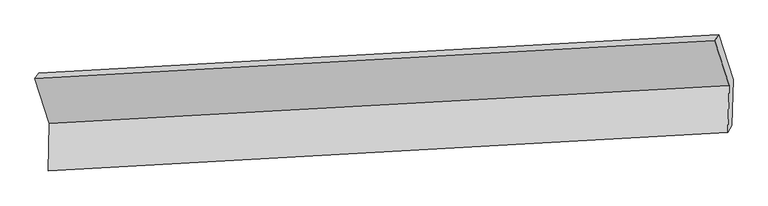
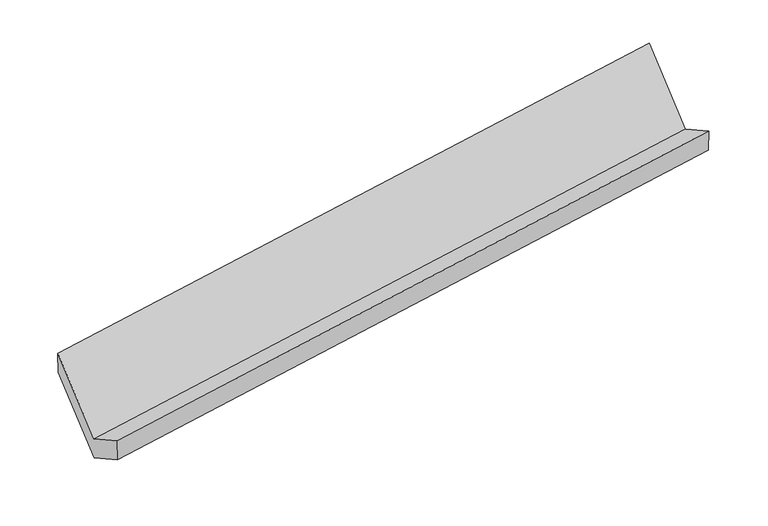
"""IFC4 building model written with IfcOpenShell, lengths in millimetres: proxy geometry."""

from ifc_helpers import new_model, si_unit, frame, origin, place, context, project, spatial, polyline, outline, extrude, source, transform, mapped, element, save


def generic_models_e9925e90(model_context):
    return source(origin(), model_context, "Body", "SweptSolid", [
        extrude(outline(polyline([(-145.9893574, -62.8149996), (523.2715557, -62.8149997), (369.0763284, -198.7919617), (-300.1845847, -198.7919617), (-300.1845847, 188.6184803), (-145.9893574, 334.5954423), (-145.9893574, -62.8149996)])), frame((-5343.6926783, -1644.9713879, 1548.3912544), z_axis=(0.9870445316941554, 0.05536252013848399, 0.1505924427605232), x_axis=(-0.15834318573000675, 0.4875960768590336, 0.8585904153696057)), (0.0, 0.0, 1.0), 5030.5195664),
    ])


if __name__ == "__main__":
    model = new_model("IFC4")
    model_context = context("Model", 3, world=origin())
    ifc_project = project(units=[si_unit("LENGTHUNIT", "METRE", prefix="MILLI")], contexts=[model_context])
    site = spatial("IfcSite", under=ifc_project)
    building = spatial("IfcBuilding", under=site)
    placement = place(None, origin())
    generic_models_shape = generic_models_e9925e90(model_context)
    element("IfcBuildingElementProxy", 1, Name="Generic Models", at=placement, inside=building, context=model_context, shape_type="MappedRepresentation", body=[
        mapped(generic_models_shape, transform((0.0, 0.0, 0.0), x_axis=(1.0, 0.0, 0.0), y_axis=(0.0, 1.0, 0.0), z_axis=(0.0, 0.0, 1.0))),
    ])
    save(model, "model.ifc")
